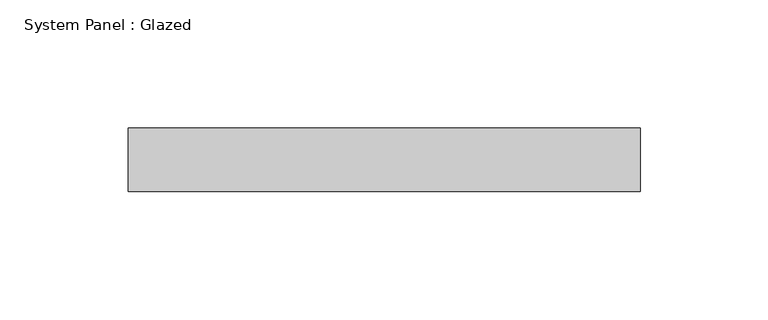
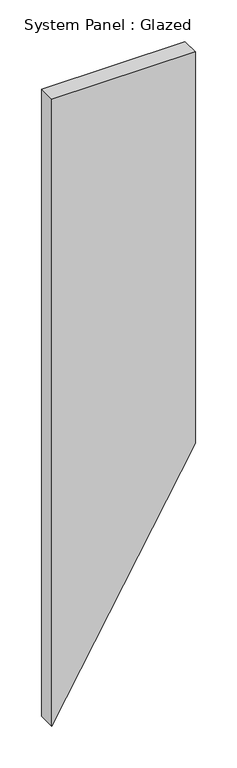
"""IFC4 building model written with IfcOpenShell, lengths in millimetres: plate geometry, System Panel : Glazed."""

import ifcopenshell
import ifcopenshell.guid

model = None  # the IFC model being written
_history = None  # IfcOwnerHistory: only IFC2X3 demands one
_inside = {}  # id of a spatial element -> (the spatial element, [elements in it])
_under = {}  # id of a project, library or spatial element -> (it, [spatial elements below it])
_declared = {}  # id of a project -> (the project, [libraries it declares])
_typed = {}  # id of a type object -> (the type object, [elements of that type])
_made_of = {}  # id of a material, layer set ... -> (it, [elements and type objects made of it])


def new_model(schema):
    """Start an empty IFC model of exactly this schema.

    Asked for "IFC4X3", IfcOpenShell would pick the latest addendum, in which some entities
    have other attributes; the version numbers below select the first issue.
    IFC2X3 requires an IfcOwnerHistory on every rooted entity: one is made here for all.
    """
    global model, _history
    if schema == "IFC4X3":
        model = ifcopenshell.file(schema_version=(4, 3, 0, 0))
    else:
        model = ifcopenshell.file(schema=schema)
    _inside.clear()
    _under.clear()
    _declared.clear()
    _typed.clear()
    _made_of.clear()
    _history = None
    if model.schema == "IFC2X3":
        org = make("IfcOrganization", Name="unknown")
        user = make(
            "IfcPersonAndOrganization",
            ThePerson=make("IfcPerson", FamilyName="unknown"),
            TheOrganization=org,
        )
        app = make(
            "IfcApplication",
            ApplicationDeveloper=org,
            Version="unknown",
            ApplicationFullName="unknown",
            ApplicationIdentifier="unknown",
        )
        _history = make(
            "IfcOwnerHistory",
            OwningUser=user,
            OwningApplication=app,
            ChangeAction="ADDED",
            CreationDate=0,
        )
    return model


def make(cls, **values):
    """One entity of the class cls with the attributes given. An attribute that is None is left unset."""
    return model.create_entity(
        cls, **{name: value for name, value in values.items() if value is not None}
    )


def rooted(cls, **values):
    """An entity with a GlobalId (a new one), such as an element, a storey or a relation."""
    return make(cls, GlobalId=ifcopenshell.guid.new(), OwnerHistory=_history, **values)


def si_unit(unit_type, name, prefix=None):
    """IfcSIUnit, for example si_unit("LENGTHUNIT", "METRE", prefix="MILLI")."""
    return make("IfcSIUnit", UnitType=unit_type, Prefix=prefix, Name=name)


def assignment(units):
    """IfcUnitAssignment: the units of a project."""
    return None if units is None else make("IfcUnitAssignment", Units=units)


def point(xyz):
    """IfcCartesianPoint."""
    return None if xyz is None else make("IfcCartesianPoint", Coordinates=xyz)


def direction(xyz):
    """IfcDirection."""
    return None if xyz is None else make("IfcDirection", DirectionRatios=xyz)


def frame(location, z_axis=None, x_axis=None):
    """IfcAxis2Placement3D, a coordinate frame: its origin and axes. An axis left out is left unset."""
    return make(
        "IfcAxis2Placement3D",
        Location=point(location),
        Axis=direction(z_axis),
        RefDirection=direction(x_axis),
    )


def origin():
    """The frame at (0, 0, 0) with its axes left unset."""
    return frame((0.0, 0.0, 0.0))


def place(relative_to, where):
    """IfcLocalPlacement: puts the frame where relative to a parent placement (None: the world)."""
    return make(
        "IfcLocalPlacement", PlacementRelTo=relative_to, RelativePlacement=where
    )


def context(
    kind, dimensions, precision=None, world=None, true_north=None, identifier=None
):
    """IfcGeometricRepresentationContext, for example the 3D "Model" context."""
    return make(
        "IfcGeometricRepresentationContext",
        ContextIdentifier=identifier,
        ContextType=kind,
        CoordinateSpaceDimension=dimensions,
        Precision=precision,
        WorldCoordinateSystem=world,
        TrueNorth=true_north,
    )


def project(units=None, contexts=None):
    """IfcProject with its units and contexts."""
    return rooted(
        "IfcProject",
        Name="project",
        RepresentationContexts=contexts,
        UnitsInContext=assignment(units),
    )


def spatial(cls, under=None, at=None, **own):
    """A site, building, storey or space (cls), placed at a placement, below another one or the project."""
    s = rooted(cls, ObjectPlacement=at, **own)
    if under is not None:
        _under.setdefault(under.id(), (under, []))[1].append(s)
    return s


def polyline(points):
    """IfcPolyline through the points."""
    return make("IfcPolyline", Points=[point(p) for p in points])


def outline(outer, holes=None, kind="AREA"):
    """IfcArbitraryClosedProfileDef: a profile drawn as a closed curve; with holes, ...WithVoids."""
    if holes is None:
        return make("IfcArbitraryClosedProfileDef", ProfileType=kind, OuterCurve=outer)
    return make(
        "IfcArbitraryProfileDefWithVoids",
        ProfileType=kind,
        OuterCurve=outer,
        InnerCurves=holes,
    )


def extrude(swept, where, along, depth):
    """IfcExtrudedAreaSolid: the profile swept, set in the frame where, extruded along a direction by depth."""
    return make(
        "IfcExtrudedAreaSolid",
        SweptArea=swept,
        Position=where,
        ExtrudedDirection=direction(along),
        Depth=depth,
    )


def shape(context_of_items, identifier, shape_type, items):
    """IfcShapeRepresentation: the items that make up one representation, for example the "Body"."""
    return make(
        "IfcShapeRepresentation",
        ContextOfItems=context_of_items,
        RepresentationIdentifier=identifier,
        RepresentationType=shape_type,
        Items=items,
    )


def source(mapping_origin, context_of_items, identifier, shape_type, items):
    """IfcRepresentationMap: a shape defined once, which mapped items show again and again."""
    return make(
        "IfcRepresentationMap",
        MappingOrigin=mapping_origin,
        MappedRepresentation=shape(context_of_items, identifier, shape_type, items),
    )


def transform(
    local_origin,
    x_axis=None,
    y_axis=None,
    z_axis=None,
    scale=None,
    scale2=None,
    scale3=None,
    uniform=True,
):
    """IfcCartesianTransformationOperator3D, or its non-uniform kind. x_axis, y_axis, z_axis: its Axis1, 2, 3."""
    if uniform:
        return make(
            "IfcCartesianTransformationOperator3D",
            Axis1=direction(x_axis),
            Axis2=direction(y_axis),
            LocalOrigin=point(local_origin),
            Scale=scale,
            Axis3=direction(z_axis),
        )
    return make(
        "IfcCartesianTransformationOperator3DnonUniform",
        Axis1=direction(x_axis),
        Axis2=direction(y_axis),
        LocalOrigin=point(local_origin),
        Scale=scale,
        Axis3=direction(z_axis),
        Scale2=scale2,
        Scale3=scale3,
    )


def mapped(mapping_source, mapping_target):
    """IfcMappedItem: shows the shape of a source again, moved by a transform."""
    return make(
        "IfcMappedItem", MappingSource=mapping_source, MappingTarget=mapping_target
    )


def made_of(thing, what):
    """Note that an element or type object is made of a material, layer set ...; save() writes the relation."""
    if what is not None:
        _made_of.setdefault(what.id(), (what, []))[1].append(thing)
    return thing


def element(
    cls,
    number,
    at=None,
    inside=None,
    cuts=None,
    type_object=None,
    material=None,
    context=None,
    identifier="Body",
    shape_type=None,
    held_by="IfcProductDefinitionShape",
    body=None,
    shapes=None,
    **own,
):
    """One element of the class cls, such as IfcWall. Its Tag is "e" and its number.

    at: its placement. inside: the storey or other place that contains it. cuts: it is an
    opening in that element (IfcRelVoidsElement). A single representation is given by context,
    identifier, shape_type and body (its items); several are given by shapes. held_by: the class
    of the entity that holds the representations. save() writes the other relations.
    """
    e = rooted(cls, Tag="e%d" % number, ObjectPlacement=at, **own)
    if body is not None:
        shapes = [shape(context, identifier, shape_type, body)]
    if shapes is not None:
        e.Representation = make(held_by, Representations=shapes)
    if inside is not None:
        _inside.setdefault(inside.id(), (inside, []))[1].append(e)
    if cuts is not None:
        rooted(
            "IfcRelVoidsElement", RelatingBuildingElement=cuts, RelatedOpeningElement=e
        )
    if type_object is not None:
        _typed.setdefault(type_object.id(), (type_object, []))[1].append(e)
    return made_of(e, material)


def aggregate(whole, parts):
    """IfcRelAggregates: a whole, such as a stair, and the parts it consists of."""
    return rooted("IfcRelAggregates", RelatingObject=whole, RelatedObjects=parts)


def save(model, path):
    """Write the relations noted so far, then the file.

    IfcRelAggregates (storeys below a building ...), IfcRelContainedInSpatialStructure (elements
    in a storey), IfcRelDefinesByType, IfcRelAssociatesMaterial and IfcRelDeclares: one each for
    every whole, place, type object, material and project.
    """
    for whole, parts in _under.values():
        aggregate(whole, parts)
    for where, things in _inside.values():
        rooted(
            "IfcRelContainedInSpatialStructure",
            RelatedElements=things,
            RelatingStructure=where,
        )
    for kind, things in _typed.values():
        rooted("IfcRelDefinesByType", RelatedObjects=things, RelatingType=kind)
    for what, things in _made_of.values():
        rooted("IfcRelAssociatesMaterial", RelatedObjects=things, RelatingMaterial=what)
    for by, libraries in _declared.values():
        rooted("IfcRelDeclares", RelatingContext=by, RelatedDefinitions=libraries)
    model.write(path)


def system_panel_glazed_cf04a5df(model_context):
    return source(origin(), model_context, "Body", "SweptSolid", [
        extrude(outline(polyline([(0.0, -100.0), (346.4101615, 100.0), (921.5390304, 100.0), (921.5390304, -100.0), (0.0, -100.0)])), frame((0.0, 24.5, 0.0), z_axis=(0.0, 1.0, 0.0), x_axis=(0.0, 0.0, 1.0)), (0.0, 0.0, 1.0), 25.0),
    ])


if __name__ == "__main__":
    model = new_model("IFC4")
    model_context = context("Model", 3, world=origin())
    ifc_project = project(units=[si_unit("LENGTHUNIT", "METRE", prefix="MILLI")], contexts=[model_context])
    site = spatial("IfcSite", under=ifc_project)
    building = spatial("IfcBuilding", under=site)
    placement = place(None, origin())
    system_panel_glazed_shape = system_panel_glazed_cf04a5df(model_context)
    element("IfcPlate", 1, ObjectType="System Panel : Glazed", at=placement, inside=building, context=model_context, shape_type="MappedRepresentation", body=[
        mapped(system_panel_glazed_shape, transform((0.0, 0.0, 0.0), x_axis=(1.0, 0.0, 0.0), y_axis=(0.0, 1.0, 0.0), z_axis=(0.0, 0.0, 1.0))),
    ])
    save(model, "model.ifc")
